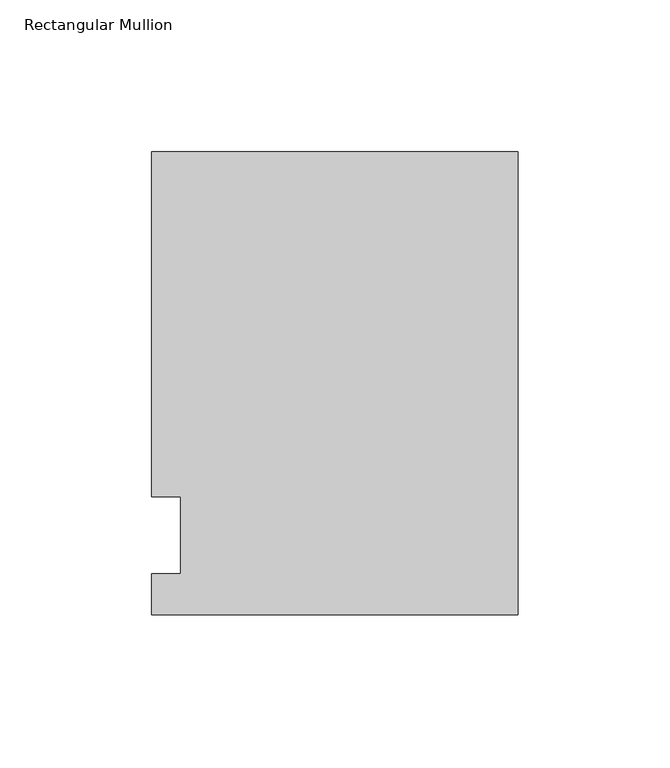
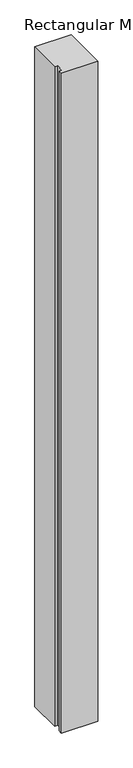
"""IFC4 building model written with IfcOpenShell, lengths in millimetres: member geometry, Rectangular Mullion."""

from ifc_helpers import new_model, si_unit, frame, origin, place, context, project, spatial, polyline, outline, extrude, source, transform, mapped, element, save


def rectangular_mullion_a45e7b84(model_context):
    return source(origin(), model_context, "Body", "SweptSolid", [
        extrude(outline(polyline([(0.0, -26.19375), (-120.65, -26.19375), (-120.65, -12.7), (-111.125, -12.7), (-111.125, 12.7), (-120.65, 12.7), (-120.65, 126.20625), (0.0, 126.20625), (0.0, -26.19375)])), frame((0.0, 0.0, -2311.4), z_axis=(0.0, 0.0, 1.0), x_axis=(1.0, 0.0, 0.0)), (0.0, 0.0, 1.0), 2311.4),
    ])


if __name__ == "__main__":
    model = new_model("IFC4")
    model_context = context("Model", 3, world=origin())
    ifc_project = project(units=[si_unit("LENGTHUNIT", "METRE", prefix="MILLI")], contexts=[model_context])
    site = spatial("IfcSite", under=ifc_project)
    building = spatial("IfcBuilding", under=site)
    placement = place(None, origin())
    rectangular_mullion_shape = rectangular_mullion_a45e7b84(model_context)
    element("IfcMember", 1, ObjectType="Rectangular Mullion", at=placement, inside=building, context=model_context, shape_type="MappedRepresentation", body=[
        mapped(rectangular_mullion_shape, transform((0.0, 0.0, 0.0), x_axis=(1.0, 0.0, 0.0), y_axis=(0.0, 1.0, 0.0), z_axis=(0.0, 0.0, 1.0))),
    ])
    save(model, "model.ifc")
